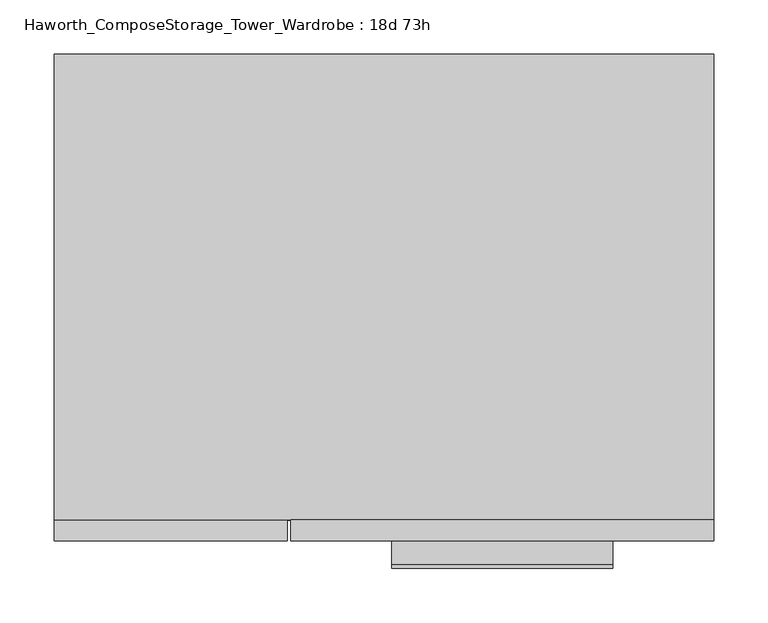
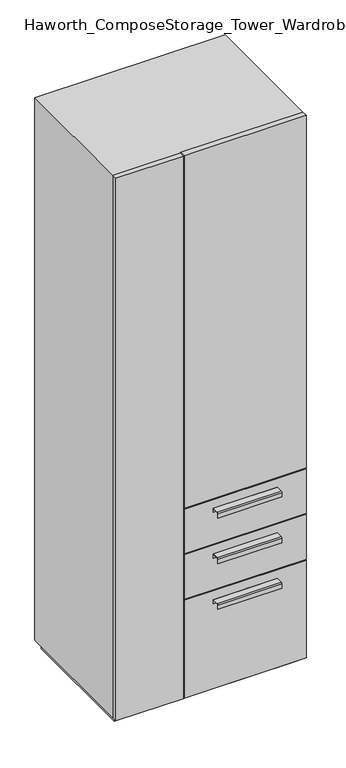
"""IFC4 building model written with IfcOpenShell, lengths in millimetres: furniture geometry, Haworth_ComposeStorage_Tower_Wardrobe : 18d 73h."""

from ifc_helpers import new_model, si_unit, point, frame, frame_2d, origin, origin_with_axes, place, context, project, spatial, polyline, circle_curve, trimmed, segment, composite_curve, outline, extrude, faceted_brep, source, transform, mapped, element, save


def haworth_composestorage_tower_wardrobe_18d_73h_2922ff89(model_context):
    return source(origin(), model_context, "Body", "SolidModel", [
        extrude(outline(composite_curve([segment(polyline([(-255.5875242, 633.9919215), (-233.3625, 633.9919215), (-233.3625, 620.5299525), (-234.1562742, 620.5299525), (-234.1562742, 633.1982199), (-255.5875242, 633.1982199)]), True, "CONTINUOUS"), segment(trimmed(circle_curve(frame_2d((-255.5875242, 630.8142808)), 2.3839392), [point((-255.5875242, 633.1982199))], [point((-257.9714634, 630.8142808))], True, "CARTESIAN"), True, "CONTINUOUS"), segment(polyline([(-257.9714634, 630.8142808), (-257.9714634, 616.2119021), (-258.7624758, 616.2119021), (-258.7624758, 630.8169699)]), True, "CONTINUOUS"), segment(trimmed(circle_curve(frame_2d((-255.5875242, 630.8169699)), 3.1749516), [point((-258.7624758, 630.8169699))], [point((-255.5875242, 633.9919215))], False, "CARTESIAN"), True, "CONTINUOUS")], self_intersect=False)), frame((7.1576406, 0.0, 0.0), z_axis=(1.0, 0.0, 0.0), x_axis=(0.0, 1.0, 0.0)), (0.0, 0.0, 1.0), 203.2),
        extrude(outline(polyline([(303.2263906, -214.3125), (303.2263906, -233.3625), (-85.7111094, -233.3625), (-85.7111094, -214.3125), (303.2263906, -214.3125)])), frame((0.0, 0.0, 512.7625), z_axis=(0.0, 0.0, 1.0), x_axis=(1.0, 0.0, 0.0)), (0.0, 0.0, 1.0), 150.8125),
        extrude(outline(composite_curve([segment(polyline([(-255.5875242, 480.0044215), (-233.3625, 480.0044215), (-233.3625, 466.5424525), (-234.1562742, 466.5424525), (-234.1562742, 479.2107199), (-255.5875242, 479.2107199)]), True, "CONTINUOUS"), segment(trimmed(circle_curve(frame_2d((-255.5875242, 476.8267808)), 2.3839392), [point((-255.5875242, 479.2107199))], [point((-257.9714634, 476.8267808))], True, "CARTESIAN"), True, "CONTINUOUS"), segment(polyline([(-257.9714634, 476.8267808), (-257.9714634, 462.2244021), (-258.7624758, 462.2244021), (-258.7624758, 476.8294699)]), True, "CONTINUOUS"), segment(trimmed(circle_curve(frame_2d((-255.5875242, 476.8294699)), 3.1749516), [point((-258.7624758, 476.8294699))], [point((-255.5875242, 480.0044215))], False, "CARTESIAN"), True, "CONTINUOUS")], self_intersect=False)), frame((7.1576406, 0.0, 0.0), z_axis=(1.0, 0.0, 0.0), x_axis=(0.0, 1.0, 0.0)), (0.0, 0.0, 1.0), 203.2),
        extrude(outline(polyline([(303.2263906, -214.3125), (303.2263906, -233.3625), (-85.7111094, -233.3625), (-85.7111094, -214.3125), (303.2263906, -214.3125)])), frame((0.0, 0.0, 358.775), z_axis=(0.0, 0.0, 1.0), x_axis=(1.0, 0.0, 0.0)), (0.0, 0.0, 1.0), 150.8125),
        extrude(outline(composite_curve([segment(polyline([(-255.5875242, 326.0169215), (-233.3625, 326.0169215), (-233.3625, 312.5549525), (-234.1562742, 312.5549525), (-234.1562742, 325.2232199), (-255.5875242, 325.2232199)]), True, "CONTINUOUS"), segment(trimmed(circle_curve(frame_2d((-255.5875242, 322.8392808)), 2.3839392), [point((-255.5875242, 325.2232199))], [point((-257.9714634, 322.8392808))], True, "CARTESIAN"), True, "CONTINUOUS"), segment(polyline([(-257.9714634, 322.8392808), (-257.9714634, 308.2369021), (-258.7624758, 308.2369021), (-258.7624758, 322.8419699)]), True, "CONTINUOUS"), segment(trimmed(circle_curve(frame_2d((-255.5875242, 322.8419699)), 3.1749516), [point((-258.7624758, 322.8419699))], [point((-255.5875242, 326.0169215))], False, "CARTESIAN"), True, "CONTINUOUS")], self_intersect=False)), frame((7.1576406, 0.0, 0.0), z_axis=(1.0, 0.0, 0.0), x_axis=(0.0, 1.0, 0.0)), (0.0, 0.0, 1.0), 203.2),
        extrude(outline(polyline([(303.2263906, -214.3125), (303.2263906, -233.3625), (-85.7111094, -233.3625), (-85.7111094, -214.3125), (303.2263906, -214.3125)])), frame((0.0, 0.0, 25.4), z_axis=(0.0, 0.0, 1.0), x_axis=(1.0, 0.0, 0.0)), (0.0, 0.0, 1.0), 330.2),
        extrude(outline(polyline([(303.2263906, -214.3125), (303.2263906, -233.3625), (-85.7111094, -233.3625), (-85.7111094, -214.3125), (303.2263906, -214.3125)])), frame((0.0, 0.0, 666.75), z_axis=(0.0, 0.0, 1.0), x_axis=(1.0, 0.0, 0.0)), (0.0, 0.0, 1.0), 1187.45),
        faceted_brep([(-303.1986094, -214.3125, 25.4), (303.2263906, -214.3125, 25.4), (303.2263906, -214.3125, 1854.2), (-303.1986094, -214.3125, 1854.2), (-284.1486094, -214.3125, 44.45), (-284.1486094, -214.3125, 1835.15), (284.1694453, -214.3125, 1835.15), (284.1694453, -214.3125, 44.45), (-303.1986094, 214.3125, 25.4), (-303.1986094, 214.3125, 1854.2), (303.2263906, 214.3125, 1854.2), (303.2263906, 214.3125, 25.4), (-284.1486094, 195.2625, 44.45), (-284.1486094, 195.2625, 1835.15), (284.1694453, 195.2625, 1835.15), (284.1694453, 195.2625, 44.45)], [[[0, 1, 2, 3], [4, 5, 6, 7]], [[8, 9, 10, 11]], [[1, 0, 8, 11]], [[2, 1, 11, 10]], [[3, 2, 10, 9]], [[0, 3, 9, 8]], [[5, 4, 12, 13]], [[6, 5, 13, 14]], [[7, 6, 14, 15]], [[4, 7, 15, 12]], [[13, 12, 15, 14]]]),
        extrude(outline(polyline([(290.5263906, -201.6125), (-290.4986094, -201.6125), (-290.4986094, 201.6125), (290.5263906, 201.6125), (290.5263906, -201.6125)])), origin_with_axes(), (0.0, 0.0, 1.0), 25.4),
        extrude(outline(polyline([(-303.1986094, -233.3625), (-303.1986094, -214.3125), (-88.8861094, -214.3125), (-88.8861094, -233.3625), (-303.1986094, -233.3625)])), frame((0.0, 0.0, 25.4), z_axis=(0.0, 0.0, 1.0), x_axis=(1.0, 0.0, 0.0)), (0.0, 0.0, 1.0), 1828.8),
    ])


if __name__ == "__main__":
    model = new_model("IFC4")
    model_context = context("Model", 3, world=origin())
    ifc_project = project(units=[si_unit("LENGTHUNIT", "METRE", prefix="MILLI")], contexts=[model_context])
    site = spatial("IfcSite", under=ifc_project)
    building = spatial("IfcBuilding", under=site)
    placement = place(None, origin())
    haworth_composestorage_tower_wardrobe_18d_73h_shape = haworth_composestorage_tower_wardrobe_18d_73h_2922ff89(model_context)
    element("IfcFurniture", 1, ObjectType="Haworth_ComposeStorage_Tower_Wardrobe : 18d 73h", at=placement, inside=building, context=model_context, shape_type="MappedRepresentation", body=[
        mapped(haworth_composestorage_tower_wardrobe_18d_73h_shape, transform((0.0, 0.0, 0.0), x_axis=(1.0, 0.0, 0.0), y_axis=(0.0, 1.0, 0.0), z_axis=(0.0, 0.0, 1.0))),
    ])
    save(model, "model.ifc")
